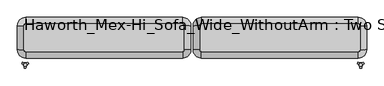
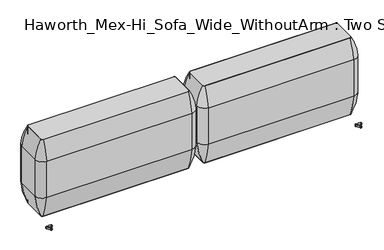
"""IFC4 building model written with IfcOpenShell, lengths in millimetres: furniture geometry, Haworth_Mex-Hi_Sofa_Wide_WithoutArm : Two Seat Sofa."""

from ifc_helpers import new_model, si_unit, point, frame, frame_2d, origin, place, context, project, spatial, polyline, circle_curve, ellipse_curve, trimmed, segment, composite_curve, outline, extrude, source, transform, mapped, element, save
from ifc_brep_helpers import plane_surface, cylinder_surface, revolved_surface, advanced_brep


def haworth_mex_hi_sofa_wide_withoutarm_two_seat_sofa_aba9447e(model_context):
    return source(origin(), model_context, "Body", "SolidModel", [
        extrude(outline(composite_curve([segment(trimmed(circle_curve(frame_2d((-213.138694, -52.3329307)), 9.8250752), [point((-203.3136188, -52.3329307))], [point((-213.138694, -62.1580059))], False, "CARTESIAN"), True, "CONTINUOUS"), segment(polyline([(-213.138694, -62.1580059), (-1197.4405465, -62.1580059)]), True, "CONTINUOUS"), segment(trimmed(circle_curve(frame_2d((-1197.4405465, -52.3329307)), 9.8250752), [point((-1197.4405465, -62.1580059))], [point((-1207.2656217, -52.3329307))], False, "CARTESIAN"), True, "CONTINUOUS"), segment(polyline([(-1207.2656217, -52.3329307), (-1207.2656217, 100.6400018)]), True, "CONTINUOUS"), segment(trimmed(circle_curve(frame_2d((-1197.4405465, 100.6400018)), 9.8250752), [point((-1207.2656217, 100.6400018))], [point((-1197.4405465, 110.465077))], False, "CARTESIAN"), True, "CONTINUOUS"), segment(polyline([(-1197.4405465, 110.465077), (-213.138694, 110.465077)]), True, "CONTINUOUS"), segment(trimmed(circle_curve(frame_2d((-213.138694, 100.6400018)), 9.8250752), [point((-213.138694, 110.465077))], [point((-203.3136188, 100.6400018))], False, "CARTESIAN"), True, "CONTINUOUS"), segment(polyline([(-203.3136188, 100.6400018), (-203.3136188, -52.3329307)]), True, "CONTINUOUS")], self_intersect=False)), frame((0.0, 0.0, 123.9999984), z_axis=(0.0, 0.0, 1.0), x_axis=(1.0, 0.0, 0.0)), (0.0, 0.0, 1.0), 552.7599232),
        advanced_brep(
        [(-1247.991929, 100.6400018, 283.1115097), (-1247.991929, -52.3329307, 283.1115097), (-1247.991929, -52.3329307, 543.4615097), (-1247.991929, 100.6400018, 543.4615097), (-1207.2656217, 100.6400018, 123.9999984), (-1207.2656217, -52.3329307, 123.9999984), (-1207.2656217, 100.6400018, 676.7599216), (-1207.2656217, -52.3329307, 676.7599216), (-1197.4405465, -102.8843132, 283.1115097), (-213.138694, -102.8843132, 283.1115097), (-213.138694, -102.8843132, 543.4615097), (-1197.4405465, -102.8843132, 543.4615097), (-1197.4405465, -62.1580059, 123.9999984), (-213.138694, -62.1580059, 123.9999984), (-1197.4405465, -62.1580059, 676.7599216), (-213.138694, -62.1580059, 676.7599216), (-162.5873115, -52.3329307, 283.1115097), (-162.5873115, 100.6400018, 283.1115097), (-162.5873115, 100.6400018, 543.4615097), (-162.5873115, -52.3329307, 543.4615097), (-203.3136188, -52.3329307, 123.9999984), (-203.3136188, 100.6400018, 123.9999984), (-203.3136188, -52.3329307, 676.7599216), (-203.3136188, 100.6400018, 676.7599216), (-213.138694, 151.1913843, 283.1115097), (-1197.4405465, 151.1913843, 283.1115097), (-1197.4405465, 151.1913843, 543.4615097), (-213.138694, 151.1913843, 543.4615097), (-213.138694, 110.465077, 123.9999984), (-1197.4405465, 110.465077, 123.9999984), (-213.138694, 110.465077, 676.7599216), (-1197.4405465, 110.465077, 676.7599216)],
        [
            (0, 1),
            (1, 2, circle_curve(frame((558.4957132, -52.3329307, 413.2865097), z_axis=(0.0, 1.0, 0.0), x_axis=(-1.0, 0.0, 0.0)), 1811.1717567)),
            (2, 3),
            (3, 0, circle_curve(frame((558.4957132, 100.6400018, 413.2865097), z_axis=(0.0, -1.0, 0.0), x_axis=(-1.0, 0.0, 0.0)), 1811.1717567)),
            (4, 5),
            (5, 1, circle_curve(frame((-787.0488338, -52.3329307, 316.3269417), z_axis=(0.0, 1.0, 0.0), x_axis=(-1.0, 0.0, 0.0)), 462.1382931)),
            (0, 4, circle_curve(frame((-787.0488338, 100.6400018, 316.3269417), z_axis=(0.0, -1.0, 0.0), x_axis=(-1.0, 0.0, 0.0)), 462.1382931)),
            (6, 7),
            (7, 5),
            (4, 6),
            (8, 9),
            (9, 10, circle_curve(frame((-213.138694, 1703.6033291, 413.2865097), z_axis=(-1.0, 0.0, 0.0), x_axis=(0.0, -1.0, 0.0)), 1811.1717567)),
            (10, 11),
            (11, 8, circle_curve(frame((-1197.4405465, 1703.6033291, 413.2865097), z_axis=(1.0, 0.0, 0.0), x_axis=(0.0, -1.0, 0.0)), 1811.1717567)),
            (12, 13),
            (13, 9, circle_curve(frame((-213.138694, 358.058782, 316.3269417), z_axis=(-1.0, 0.0, 0.0), x_axis=(0.0, -1.0, 0.0)), 462.1382931)),
            (8, 12, circle_curve(frame((-1197.4405465, 358.058782, 316.3269417), z_axis=(1.0, 0.0, 0.0), x_axis=(0.0, -1.0, 0.0)), 462.1382931)),
            (14, 15),
            (15, 13),
            (12, 14),
            (16, 17),
            (17, 18, circle_curve(frame((-1969.0749537, 100.6400018, 413.2865097), z_axis=(0.0, -1.0, 0.0), x_axis=(1.0, 0.0, 0.0)), 1811.1717567)),
            (18, 19),
            (19, 16, circle_curve(frame((-1969.0749537, -52.3329307, 413.2865097), z_axis=(0.0, 1.0, 0.0), x_axis=(1.0, 0.0, 0.0)), 1811.1717567)),
            (20, 21),
            (21, 17, circle_curve(frame((-623.5304067, 100.6400018, 316.3269417), z_axis=(0.0, -1.0, 0.0), x_axis=(1.0, 0.0, 0.0)), 462.1382931)),
            (16, 20, circle_curve(frame((-623.5304067, -52.3329307, 316.3269417), z_axis=(0.0, 1.0, 0.0), x_axis=(1.0, 0.0, 0.0)), 462.1382931)),
            (22, 23),
            (23, 21),
            (20, 22),
            (24, 25),
            (25, 26, circle_curve(frame((-1197.4405465, -1655.2962579, 413.2865097), z_axis=(1.0, 0.0, 0.0), x_axis=(0.0, 1.0, 0.0)), 1811.1717567)),
            (26, 27),
            (27, 24, circle_curve(frame((-213.138694, -1655.2962579, 413.2865097), z_axis=(-1.0, 0.0, 0.0), x_axis=(0.0, 1.0, 0.0)), 1811.1717567)),
            (28, 29),
            (29, 25, circle_curve(frame((-1197.4405465, -309.7517109, 316.3269417), z_axis=(1.0, 0.0, 0.0), x_axis=(0.0, 1.0, 0.0)), 462.1382931)),
            (24, 28, circle_curve(frame((-213.138694, -309.7517109, 316.3269417), z_axis=(-1.0, 0.0, 0.0), x_axis=(0.0, 1.0, 0.0)), 462.1382931)),
            (30, 31),
            (31, 29),
            (28, 30),
            (3, 26, circle_curve(frame((-1197.4405465, 100.6400018, 543.4615097), z_axis=(0.0, 0.0, -1.0), x_axis=(0.0, 1.0, 0.0)), 50.5513825)),
            (25, 0, circle_curve(frame((-1197.4405465, 100.6400018, 283.1115097), z_axis=(0.0, 0.0, 1.0), x_axis=(0.0, 1.0, 0.0)), 50.5513825)),
            (29, 4, circle_curve(frame((-1197.4405465, 100.6400018, 123.9999984), z_axis=(0.0, 0.0, 1.0), x_axis=(0.0, 1.0, 0.0)), 9.8250752)),
            (31, 6, circle_curve(frame((-1197.4405465, 100.6400018, 676.7599216), z_axis=(0.0, 0.0, 1.0), x_axis=(0.0, 1.0, 0.0)), 9.8250752)),
            (11, 2, circle_curve(frame((-1197.4405465, -52.3329307, 543.4615097), z_axis=(0.0, 0.0, -1.0), x_axis=(-1.0, 0.0, 0.0)), 50.5513825)),
            (1, 8, circle_curve(frame((-1197.4405465, -52.3329307, 283.1115097), z_axis=(0.0, 0.0, 1.0), x_axis=(-1.0, 0.0, 0.0)), 50.5513825)),
            (5, 12, circle_curve(frame((-1197.4405465, -52.3329307, 123.9999984), z_axis=(0.0, 0.0, 1.0), x_axis=(-1.0, 0.0, 0.0)), 9.8250752)),
            (7, 14, circle_curve(frame((-1197.4405465, -52.3329307, 676.7599216), z_axis=(0.0, 0.0, 1.0), x_axis=(-1.0, 0.0, 0.0)), 9.8250752)),
            (19, 10, circle_curve(frame((-213.138694, -52.3329307, 543.4615097), z_axis=(0.0, 0.0, -1.0), x_axis=(0.0, -1.0, 0.0)), 50.5513825)),
            (9, 16, circle_curve(frame((-213.138694, -52.3329307, 283.1115097), z_axis=(0.0, 0.0, 1.0), x_axis=(0.0, -1.0, 0.0)), 50.5513825)),
            (13, 20, circle_curve(frame((-213.138694, -52.3329307, 123.9999984), z_axis=(0.0, 0.0, 1.0), x_axis=(0.0, -1.0, 0.0)), 9.8250752)),
            (15, 22, circle_curve(frame((-213.138694, -52.3329307, 676.7599216), z_axis=(0.0, 0.0, 1.0), x_axis=(0.0, -1.0, 0.0)), 9.8250752)),
            (27, 18, circle_curve(frame((-213.138694, 100.6400018, 543.4615097), z_axis=(0.0, 0.0, -1.0), x_axis=(1.0, 0.0, 0.0)), 50.5513825)),
            (17, 24, circle_curve(frame((-213.138694, 100.6400018, 283.1115097), z_axis=(0.0, 0.0, 1.0), x_axis=(1.0, 0.0, 0.0)), 50.5513825)),
            (21, 28, circle_curve(frame((-213.138694, 100.6400018, 123.9999984), z_axis=(0.0, 0.0, 1.0), x_axis=(1.0, 0.0, 0.0)), 9.8250752)),
            (23, 30, circle_curve(frame((-213.138694, 100.6400018, 676.7599216), z_axis=(0.0, 0.0, 1.0), x_axis=(1.0, 0.0, 0.0)), 9.8250752)),
            (3, 6, circle_curve(frame((-935.8685118, 100.6400018, 520.9699825), z_axis=(0.0, 1.0, 0.0), x_axis=(-1.0, 0.0, 0.0)), 312.9327346)),
            (31, 26, circle_curve(frame((-1197.4405465, -160.9320329, 520.9699825), z_axis=(-1.0, 0.0, 0.0), x_axis=(0.0, 1.0, 0.0)), 312.9327346)),
            (2, 7, circle_curve(frame((-935.8685118, -52.3329307, 520.9699825), z_axis=(0.0, 1.0, 0.0), x_axis=(-1.0, 0.0, 0.0)), 312.9327346)),
            (11, 14, circle_curve(frame((-1197.4405465, 209.2391041, 520.9699825), z_axis=(-1.0, 0.0, 0.0), x_axis=(0.0, -1.0, 0.0)), 312.9327346)),
            (10, 15, circle_curve(frame((-213.138694, 209.2391041, 520.9699825), z_axis=(-1.0, 0.0, 0.0), x_axis=(0.0, -1.0, 0.0)), 312.9327346)),
            (19, 22, circle_curve(frame((-474.7107287, -52.3329307, 520.9699825), z_axis=(0.0, -1.0, 0.0), x_axis=(1.0, 0.0, 0.0)), 312.9327346)),
            (18, 23, circle_curve(frame((-474.7107287, 100.6400018, 520.9699825), z_axis=(0.0, -1.0, 0.0), x_axis=(1.0, 0.0, 0.0)), 312.9327346)),
            (27, 30, circle_curve(frame((-213.138694, -160.9320329, 520.9699825), z_axis=(1.0, 0.0, 0.0), x_axis=(0.0, 1.0, 0.0)), 312.9327346)),
        ],
        [
            cylinder_surface(frame((558.4957132, 100.6400018, 413.2865097), z_axis=(0.0, 1.0, 0.0), x_axis=(-1.0, 0.0, 0.0)), 1811.1717567),
            cylinder_surface(frame((-787.0488338, 100.6400018, 316.3269417), z_axis=(0.0, 1.0, 0.0), x_axis=(-1.0, 0.0, 0.0)), 462.1382931),
            plane_surface(frame((-1207.2656217, 100.6400018, 123.9999984), z_axis=(1.0, 0.0, 0.0), x_axis=(0.0, -1.0, 0.0))),
            cylinder_surface(frame((-1197.4405465, 1703.6033291, 413.2865097), z_axis=(-1.0, 0.0, 0.0), x_axis=(0.0, -1.0, 0.0)), 1811.1717567),
            cylinder_surface(frame((-1197.4405465, 358.058782, 316.3269417), z_axis=(-1.0, 0.0, 0.0), x_axis=(0.0, -1.0, 0.0)), 462.1382931),
            plane_surface(frame((-1197.4405465, -62.1580059, 123.9999984), z_axis=(0.0, 1.0, 0.0), x_axis=(1.0, 0.0, 0.0))),
            cylinder_surface(frame((-1969.0749537, -52.3329307, 413.2865097), z_axis=(0.0, -1.0, 0.0), x_axis=(1.0, 0.0, 0.0)), 1811.1717567),
            cylinder_surface(frame((-623.5304067, -52.3329307, 316.3269417), z_axis=(0.0, -1.0, 0.0), x_axis=(1.0, 0.0, 0.0)), 462.1382931),
            plane_surface(frame((-203.3136188, -52.3329307, 123.9999984), z_axis=(-1.0, 0.0, 0.0), x_axis=(0.0, 1.0, 0.0))),
            cylinder_surface(frame((-213.138694, -1655.2962579, 413.2865097), z_axis=(1.0, 0.0, 0.0), x_axis=(0.0, 1.0, 0.0)), 1811.1717567),
            cylinder_surface(frame((-213.138694, -309.7517109, 316.3269417), z_axis=(1.0, 0.0, 0.0), x_axis=(0.0, 1.0, 0.0)), 462.1382931),
            plane_surface(frame((-213.138694, 110.465077, 123.9999984), z_axis=(0.0, -1.0, 0.0), x_axis=(-1.0, 0.0, 0.0))),
            revolved_surface(trimmed(ellipse_curve(frame((-1197.4405465, -1655.2962579, 413.2865097), z_axis=(-1.0, 0.0, 0.0), x_axis=(0.0, 1.0, 0.0)), 1811.1717567, 1811.1717567), [point((-1197.4405465, 151.1913843, 543.4615097))], [point((-1197.4405465, 151.1913843, 283.1115097))], True, "CARTESIAN"), (-1197.4405465, 100.6400018, -1.2587073), (0.0, 0.0, -1.0)),
            revolved_surface(trimmed(ellipse_curve(frame((-1197.4405465, -309.7517109, 316.3269417), z_axis=(-1.0, 0.0, 0.0), x_axis=(0.0, 1.0, 0.0)), 462.1382931, 462.1382931), [point((-1197.4405465, 151.1913843, 283.1115097))], [point((-1197.4405465, 110.465077, 123.9999984))], True, "CARTESIAN"), (-1197.4405465, 100.6400018, -1.2587073), (0.0, 0.0, -1.0)),
            revolved_surface(polyline([(-1197.4405465, 110.465077, 123.9999984), (-1197.4405465, 110.465077, 676.7599216)]), (-1197.4405465, 100.6400018, -1.2587073), (0.0, 0.0, -1.0)),
            revolved_surface(trimmed(ellipse_curve(frame((558.4957132, -52.3329307, 413.2865097), z_axis=(0.0, -1.0, 0.0), x_axis=(-1.0, 0.0, 0.0)), 1811.1717567, 1811.1717567), [point((-1247.991929, -52.3329307, 543.4615097))], [point((-1247.991929, -52.3329307, 283.1115097))], True, "CARTESIAN"), (-1197.4405465, -52.3329307, -1.2587073), (0.0, 0.0, -1.0)),
            revolved_surface(trimmed(ellipse_curve(frame((-787.0488338, -52.3329307, 316.3269417), z_axis=(0.0, -1.0, 0.0), x_axis=(-1.0, 0.0, 0.0)), 462.1382931, 462.1382931), [point((-1247.991929, -52.3329307, 283.1115097))], [point((-1207.2656217, -52.3329307, 123.9999984))], True, "CARTESIAN"), (-1197.4405465, -52.3329307, -1.2587073), (0.0, 0.0, -1.0)),
            revolved_surface(polyline([(-1207.2656216999999, -52.3329307, 123.9999984), (-1207.2656216999999, -52.3329307, 676.7599216)]), (-1197.4405465, -52.3329307, -1.2587073), (0.0, 0.0, -1.0)),
            revolved_surface(trimmed(ellipse_curve(frame((-213.138694, 1703.6033291, 413.2865097), z_axis=(1.0, 0.0, 0.0), x_axis=(0.0, -1.0, 0.0)), 1811.1717567, 1811.1717567), [point((-213.138694, -102.8843132, 543.4615097))], [point((-213.138694, -102.8843132, 283.1115097))], True, "CARTESIAN"), (-213.138694, -52.3329307, -1.2587073), (0.0, 0.0, -1.0)),
            revolved_surface(trimmed(ellipse_curve(frame((-213.138694, 358.058782, 316.3269417), z_axis=(1.0, 0.0, 0.0), x_axis=(0.0, -1.0, 0.0)), 462.1382931, 462.1382931), [point((-213.138694, -102.8843132, 283.1115097))], [point((-213.138694, -62.1580059, 123.9999984))], True, "CARTESIAN"), (-213.138694, -52.3329307, -1.2587073), (0.0, 0.0, -1.0)),
            revolved_surface(polyline([(-213.138694, -62.1580059, 123.9999984), (-213.138694, -62.1580059, 676.7599216)]), (-213.138694, -52.3329307, -1.2587073), (0.0, 0.0, -1.0)),
            revolved_surface(trimmed(ellipse_curve(frame((-1969.0749537, 100.6400018, 413.2865097), z_axis=(0.0, 1.0, 0.0), x_axis=(1.0, 0.0, 0.0)), 1811.1717567, 1811.1717567), [point((-162.5873115, 100.6400018, 543.4615097))], [point((-162.5873115, 100.6400018, 283.1115097))], True, "CARTESIAN"), (-213.138694, 100.6400018, -1.2587073), (0.0, 0.0, -1.0)),
            revolved_surface(trimmed(ellipse_curve(frame((-623.5304067, 100.6400018, 316.3269417), z_axis=(0.0, 1.0, 0.0), x_axis=(1.0, 0.0, 0.0)), 462.1382931, 462.1382931), [point((-162.5873115, 100.6400018, 283.1115097))], [point((-203.3136188, 100.6400018, 123.9999984))], True, "CARTESIAN"), (-213.138694, 100.6400018, -1.2587073), (0.0, 0.0, -1.0)),
            revolved_surface(polyline([(-203.31361879999997, 100.6400018, 123.9999984), (-203.31361879999997, 100.6400018, 676.7599216)]), (-213.138694, 100.6400018, -1.2587073), (0.0, 0.0, -1.0)),
            revolved_surface(trimmed(ellipse_curve(frame((-1197.4405465, -160.9320329, 520.9699825), z_axis=(-1.0, 0.0, 0.0), x_axis=(0.0, 1.0, 0.0)), 312.9327346, 312.9327346), [point((-1197.4405465, 110.465077, 676.7599216))], [point((-1197.4405465, 151.1913843, 543.4615097))], True, "CARTESIAN"), (-1197.4405465, 100.6400018, -1.2587073), (0.0, 0.0, -1.0)),
            cylinder_surface(frame((-935.8685118, 100.6400018, 520.9699825), z_axis=(0.0, 1.0, 0.0), x_axis=(-1.0, 0.0, 0.0)), 312.9327346),
            revolved_surface(trimmed(ellipse_curve(frame((-935.8685118, -52.3329307, 520.9699825), z_axis=(0.0, -1.0, 0.0), x_axis=(-1.0, 0.0, 0.0)), 312.9327346, 312.9327346), [point((-1207.2656217, -52.3329307, 676.7599216))], [point((-1247.991929, -52.3329307, 543.4615097))], True, "CARTESIAN"), (-1197.4405465, -52.3329307, -1.2587073), (0.0, 0.0, -1.0)),
            cylinder_surface(frame((-1197.4405465, 209.2391041, 520.9699825), z_axis=(-1.0, 0.0, 0.0), x_axis=(0.0, -1.0, 0.0)), 312.9327346),
            revolved_surface(trimmed(ellipse_curve(frame((-213.138694, 209.2391041, 520.9699825), z_axis=(1.0, 0.0, 0.0), x_axis=(0.0, -1.0, 0.0)), 312.9327346, 312.9327346), [point((-213.138694, -62.1580059, 676.7599216))], [point((-213.138694, -102.8843132, 543.4615097))], True, "CARTESIAN"), (-213.138694, -52.3329307, -1.2587073), (0.0, 0.0, -1.0)),
            cylinder_surface(frame((-474.7107287, -52.3329307, 520.9699825), z_axis=(0.0, -1.0, 0.0), x_axis=(1.0, 0.0, 0.0)), 312.9327346),
            revolved_surface(trimmed(ellipse_curve(frame((-474.7107287, 100.6400018, 520.9699825), z_axis=(0.0, 1.0, 0.0), x_axis=(1.0, 0.0, 0.0)), 312.9327346, 312.9327346), [point((-203.3136188, 100.6400018, 676.7599216))], [point((-162.5873115, 100.6400018, 543.4615097))], True, "CARTESIAN"), (-213.138694, 100.6400018, -1.2587073), (0.0, 0.0, -1.0)),
            cylinder_surface(frame((-213.138694, -160.9320329, 520.9699825), z_axis=(1.0, 0.0, 0.0), x_axis=(0.0, 1.0, 0.0)), 312.9327346),
        ],
        [
            (0, [[1, 2, 3, 4]]),
            (1, [[5, 6, -1, 7]]),
            (2, [[8, 9, -5, 10]]),
            (3, [[11, 12, 13, 14]]),
            (4, [[15, 16, -11, 17]]),
            (5, [[18, 19, -15, 20]]),
            (6, [[21, 22, 23, 24]]),
            (7, [[25, 26, -21, 27]]),
            (8, [[28, 29, -25, 30]]),
            (9, [[31, 32, 33, 34]]),
            (10, [[35, 36, -31, 37]]),
            (11, [[38, 39, -35, 40]]),
            (12, [[-4, 41, -32, 42]]),
            (13, [[-7, -42, -36, 43]]),
            (14, [[-10, -43, -39, 44]]),
            (15, [[-14, 45, -2, 46]]),
            (16, [[-17, -46, -6, 47]]),
            (17, [[-20, -47, -9, 48]]),
            (18, [[-24, 49, -12, 50]]),
            (19, [[-27, -50, -16, 51]]),
            (20, [[-30, -51, -19, 52]]),
            (21, [[-34, 53, -22, 54]]),
            (22, [[-37, -54, -26, 55]]),
            (23, [[-40, -55, -29, 56]]),
            (24, [[57, -44, 58, -41]]),
            (25, [[-3, 59, -8, -57]]),
            (26, [[60, -48, -59, -45]]),
            (27, [[-13, 61, -18, -60]]),
            (28, [[62, -52, -61, -49]]),
            (29, [[-23, 63, -28, -62]]),
            (30, [[64, -56, -63, -53]]),
            (31, [[-33, -58, -38, -64]]),
        ],
    ),
        extrude(outline(composite_curve([segment(polyline([(-107.5769575, -52.3329307), (-107.5769575, 100.6400018)]), True, "CONTINUOUS"), segment(trimmed(circle_curve(frame_2d((-97.7518823, 100.6400018)), 9.8250752), [point((-107.5769575, 100.6400018))], [point((-97.7518823, 110.465077))], False, "CARTESIAN"), True, "CONTINUOUS"), segment(polyline([(-97.7518823, 110.465077), (886.5499702, 110.465077)]), True, "CONTINUOUS"), segment(trimmed(circle_curve(frame_2d((886.5499702, 100.6400018)), 9.8250752), [point((886.5499702, 110.465077))], [point((896.3750454, 100.6400018))], False, "CARTESIAN"), True, "CONTINUOUS"), segment(polyline([(896.3750454, 100.6400018), (896.3750454, -52.3329307)]), True, "CONTINUOUS"), segment(trimmed(circle_curve(frame_2d((886.5499702, -52.3329307)), 9.8250752), [point((896.3750454, -52.3329307))], [point((886.5499702, -62.1580059))], False, "CARTESIAN"), True, "CONTINUOUS"), segment(polyline([(886.5499702, -62.1580059), (-97.7518823, -62.1580059)]), True, "CONTINUOUS"), segment(trimmed(circle_curve(frame_2d((-97.7518823, -52.3329307)), 9.8250752), [point((-97.7518823, -62.1580059))], [point((-107.5769575, -52.3329307))], False, "CARTESIAN"), True, "CONTINUOUS")], self_intersect=False)), frame((0.0, 0.0, 123.9999984), z_axis=(0.0, 0.0, 1.0), x_axis=(1.0, 0.0, 0.0)), (0.0, 0.0, 1.0), 552.7599232),
        advanced_brep(
        [(937.1013527, 100.6400018, 283.1115097), (937.1013527, 100.6400018, 543.4615097), (937.1013527, -52.3329307, 543.4615097), (937.1013527, -52.3329307, 283.1115097), (896.3750454, 100.6400018, 123.9999984), (896.3750454, -52.3329307, 123.9999984), (896.3750454, 100.6400018, 676.7599216), (896.3750454, -52.3329307, 676.7599216), (886.5499702, -102.8843132, 283.1115097), (886.5499702, -102.8843132, 543.4615097), (-97.7518823, -102.8843132, 543.4615097), (-97.7518823, -102.8843132, 283.1115097), (886.5499702, -62.1580059, 123.9999984), (-97.7518823, -62.1580059, 123.9999984), (886.5499702, -62.1580059, 676.7599216), (-97.7518823, -62.1580059, 676.7599216), (-148.3032648, -52.3329307, 283.1115097), (-148.3032648, -52.3329307, 543.4615097), (-148.3032648, 100.6400018, 543.4615097), (-148.3032648, 100.6400018, 283.1115097), (-107.5769575, -52.3329307, 123.9999984), (-107.5769575, 100.6400018, 123.9999984), (-107.5769575, -52.3329307, 676.7599216), (-107.5769575, 100.6400018, 676.7599216), (-97.7518823, 151.1913843, 283.1115097), (-97.7518823, 151.1913843, 543.4615097), (886.5499702, 151.1913843, 543.4615097), (886.5499702, 151.1913843, 283.1115097), (-97.7518823, 110.465077, 123.9999984), (886.5499702, 110.465077, 123.9999984), (-97.7518823, 110.465077, 676.7599216), (886.5499702, 110.465077, 676.7599216)],
        [
            (0, 1, circle_curve(frame((-869.3862895, 100.6400018, 413.2865097), z_axis=(0.0, -1.0, 0.0), x_axis=(1.0, 0.0, 0.0)), 1811.1717567)),
            (1, 2),
            (2, 3, circle_curve(frame((-869.3862895, -52.3329307, 413.2865097), z_axis=(0.0, 1.0, 0.0), x_axis=(1.0, 0.0, 0.0)), 1811.1717567)),
            (3, 0),
            (4, 0, circle_curve(frame((476.1582575, 100.6400018, 316.3269417), z_axis=(0.0, -1.0, 0.0), x_axis=(1.0, 0.0, 0.0)), 462.1382931)),
            (3, 5, circle_curve(frame((476.1582575, -52.3329307, 316.3269417), z_axis=(0.0, 1.0, 0.0), x_axis=(1.0, 0.0, 0.0)), 462.1382931)),
            (5, 4),
            (6, 4),
            (5, 7),
            (7, 6),
            (8, 9, circle_curve(frame((886.5499702, 1703.6033291, 413.2865097), z_axis=(-1.0, 0.0, 0.0), x_axis=(0.0, -1.0, 0.0)), 1811.1717567)),
            (9, 10),
            (10, 11, circle_curve(frame((-97.7518823, 1703.6033291, 413.2865097), z_axis=(1.0, 0.0, 0.0), x_axis=(0.0, -1.0, 0.0)), 1811.1717567)),
            (11, 8),
            (12, 8, circle_curve(frame((886.5499702, 358.058782, 316.3269417), z_axis=(-1.0, 0.0, 0.0), x_axis=(0.0, -1.0, 0.0)), 462.1382931)),
            (11, 13, circle_curve(frame((-97.7518823, 358.058782, 316.3269417), z_axis=(1.0, 0.0, 0.0), x_axis=(0.0, -1.0, 0.0)), 462.1382931)),
            (13, 12),
            (14, 12),
            (13, 15),
            (15, 14),
            (16, 17, circle_curve(frame((1658.1843774, -52.3329307, 413.2865097), z_axis=(0.0, 1.0, 0.0), x_axis=(-1.0, 0.0, 0.0)), 1811.1717567)),
            (17, 18),
            (18, 19, circle_curve(frame((1658.1843774, 100.6400018, 413.2865097), z_axis=(0.0, -1.0, 0.0), x_axis=(-1.0, 0.0, 0.0)), 1811.1717567)),
            (19, 16),
            (20, 16, circle_curve(frame((312.6398304, -52.3329307, 316.3269417), z_axis=(0.0, 1.0, 0.0), x_axis=(-1.0, 0.0, 0.0)), 462.1382931)),
            (19, 21, circle_curve(frame((312.6398304, 100.6400018, 316.3269417), z_axis=(0.0, -1.0, 0.0), x_axis=(-1.0, 0.0, 0.0)), 462.1382931)),
            (21, 20),
            (22, 20),
            (21, 23),
            (23, 22),
            (24, 25, circle_curve(frame((-97.7518823, -1655.2962579, 413.2865097), z_axis=(1.0, 0.0, 0.0), x_axis=(0.0, 1.0, 0.0)), 1811.1717567)),
            (25, 26),
            (26, 27, circle_curve(frame((886.5499702, -1655.2962579, 413.2865097), z_axis=(-1.0, 0.0, 0.0), x_axis=(0.0, 1.0, 0.0)), 1811.1717567)),
            (27, 24),
            (28, 24, circle_curve(frame((-97.7518823, -309.7517109, 316.3269417), z_axis=(1.0, 0.0, 0.0), x_axis=(0.0, 1.0, 0.0)), 462.1382931)),
            (27, 29, circle_curve(frame((886.5499702, -309.7517109, 316.3269417), z_axis=(-1.0, 0.0, 0.0), x_axis=(0.0, 1.0, 0.0)), 462.1382931)),
            (29, 28),
            (30, 28),
            (29, 31),
            (31, 30),
            (0, 27, circle_curve(frame((886.5499702, 100.6400018, 283.1115097), z_axis=(0.0, 0.0, 1.0), x_axis=(0.0, 1.0, 0.0)), 50.5513825)),
            (26, 1, circle_curve(frame((886.5499702, 100.6400018, 543.4615097), z_axis=(0.0, 0.0, -1.0), x_axis=(0.0, 1.0, 0.0)), 50.5513825)),
            (4, 29, circle_curve(frame((886.5499702, 100.6400018, 123.9999984), z_axis=(0.0, 0.0, 1.0), x_axis=(0.0, 1.0, 0.0)), 9.8250752)),
            (6, 31, circle_curve(frame((886.5499702, 100.6400018, 676.7599216), z_axis=(0.0, 0.0, 1.0), x_axis=(0.0, 1.0, 0.0)), 9.8250752)),
            (8, 3, circle_curve(frame((886.5499702, -52.3329307, 283.1115097), z_axis=(0.0, 0.0, 1.0), x_axis=(1.0, 0.0, 0.0)), 50.5513825)),
            (2, 9, circle_curve(frame((886.5499702, -52.3329307, 543.4615097), z_axis=(0.0, 0.0, -1.0), x_axis=(1.0, 0.0, 0.0)), 50.5513825)),
            (12, 5, circle_curve(frame((886.5499702, -52.3329307, 123.9999984), z_axis=(0.0, 0.0, 1.0), x_axis=(1.0, 0.0, 0.0)), 9.8250752)),
            (14, 7, circle_curve(frame((886.5499702, -52.3329307, 676.7599216), z_axis=(0.0, 0.0, 1.0), x_axis=(1.0, 0.0, 0.0)), 9.8250752)),
            (16, 11, circle_curve(frame((-97.7518823, -52.3329307, 283.1115097), z_axis=(0.0, 0.0, 1.0), x_axis=(0.0, -1.0, 0.0)), 50.5513825)),
            (10, 17, circle_curve(frame((-97.7518823, -52.3329307, 543.4615097), z_axis=(0.0, 0.0, -1.0), x_axis=(0.0, -1.0, 0.0)), 50.5513825)),
            (20, 13, circle_curve(frame((-97.7518823, -52.3329307, 123.9999984), z_axis=(0.0, 0.0, 1.0), x_axis=(0.0, -1.0, 0.0)), 9.8250752)),
            (22, 15, circle_curve(frame((-97.7518823, -52.3329307, 676.7599216), z_axis=(0.0, 0.0, 1.0), x_axis=(0.0, -1.0, 0.0)), 9.8250752)),
            (24, 19, circle_curve(frame((-97.7518823, 100.6400018, 283.1115097), z_axis=(0.0, 0.0, 1.0), x_axis=(-1.0, 0.0, 0.0)), 50.5513825)),
            (18, 25, circle_curve(frame((-97.7518823, 100.6400018, 543.4615097), z_axis=(0.0, 0.0, -1.0), x_axis=(-1.0, 0.0, 0.0)), 50.5513825)),
            (28, 21, circle_curve(frame((-97.7518823, 100.6400018, 123.9999984), z_axis=(0.0, 0.0, 1.0), x_axis=(-1.0, 0.0, 0.0)), 9.8250752)),
            (30, 23, circle_curve(frame((-97.7518823, 100.6400018, 676.7599216), z_axis=(0.0, 0.0, 1.0), x_axis=(-1.0, 0.0, 0.0)), 9.8250752)),
            (26, 31, circle_curve(frame((886.5499702, -160.9320329, 520.9699825), z_axis=(1.0, 0.0, 0.0), x_axis=(0.0, 1.0, 0.0)), 312.9327346)),
            (6, 1, circle_curve(frame((624.9779355, 100.6400018, 520.9699825), z_axis=(0.0, 1.0, 0.0), x_axis=(1.0, 0.0, 0.0)), 312.9327346)),
            (7, 2, circle_curve(frame((624.9779355, -52.3329307, 520.9699825), z_axis=(0.0, 1.0, 0.0), x_axis=(1.0, 0.0, 0.0)), 312.9327346)),
            (14, 9, circle_curve(frame((886.5499702, 209.2391041, 520.9699825), z_axis=(1.0, 0.0, 0.0), x_axis=(0.0, -1.0, 0.0)), 312.9327346)),
            (15, 10, circle_curve(frame((-97.7518823, 209.2391041, 520.9699825), z_axis=(1.0, 0.0, 0.0), x_axis=(0.0, -1.0, 0.0)), 312.9327346)),
            (22, 17, circle_curve(frame((163.8201524, -52.3329307, 520.9699825), z_axis=(0.0, -1.0, 0.0), x_axis=(-1.0, 0.0, 0.0)), 312.9327346)),
            (23, 18, circle_curve(frame((163.8201524, 100.6400018, 520.9699825), z_axis=(0.0, -1.0, 0.0), x_axis=(-1.0, 0.0, 0.0)), 312.9327346)),
            (30, 25, circle_curve(frame((-97.7518823, -160.9320329, 520.9699825), z_axis=(-1.0, 0.0, 0.0), x_axis=(0.0, 1.0, 0.0)), 312.9327346)),
        ],
        [
            cylinder_surface(frame((-869.3862895, 100.6400018, 413.2865097), z_axis=(0.0, 1.0, 0.0), x_axis=(1.0, 0.0, 0.0)), 1811.1717567),
            cylinder_surface(frame((476.1582575, 100.6400018, 316.3269417), z_axis=(0.0, 1.0, 0.0), x_axis=(1.0, 0.0, 0.0)), 462.1382931),
            plane_surface(frame((896.3750454, 100.6400018, 123.9999984), z_axis=(-1.0, 0.0, 0.0), x_axis=(0.0, -1.0, 0.0))),
            cylinder_surface(frame((886.5499702, 1703.6033291, 413.2865097), z_axis=(1.0, 0.0, 0.0), x_axis=(0.0, -1.0, 0.0)), 1811.1717567),
            cylinder_surface(frame((886.5499702, 358.058782, 316.3269417), z_axis=(1.0, 0.0, 0.0), x_axis=(0.0, -1.0, 0.0)), 462.1382931),
            plane_surface(frame((886.5499702, -62.1580059, 123.9999984), z_axis=(0.0, 1.0, 0.0), x_axis=(-1.0, 0.0, 0.0))),
            cylinder_surface(frame((1658.1843774, -52.3329307, 413.2865097), z_axis=(0.0, -1.0, 0.0), x_axis=(-1.0, 0.0, 0.0)), 1811.1717567),
            cylinder_surface(frame((312.6398304, -52.3329307, 316.3269417), z_axis=(0.0, -1.0, 0.0), x_axis=(-1.0, 0.0, 0.0)), 462.1382931),
            plane_surface(frame((-107.5769575, -52.3329307, 123.9999984), z_axis=(1.0, 0.0, 0.0), x_axis=(0.0, 1.0, 0.0))),
            cylinder_surface(frame((-97.7518823, -1655.2962579, 413.2865097), z_axis=(-1.0, 0.0, 0.0), x_axis=(0.0, 1.0, 0.0)), 1811.1717567),
            cylinder_surface(frame((-97.7518823, -309.7517109, 316.3269417), z_axis=(-1.0, 0.0, 0.0), x_axis=(0.0, 1.0, 0.0)), 462.1382931),
            plane_surface(frame((-97.7518823, 110.465077, 123.9999984), z_axis=(0.0, -1.0, 0.0), x_axis=(1.0, 0.0, 0.0))),
            revolved_surface(trimmed(ellipse_curve(frame((886.5499702, -1655.2962579, 413.2865097), z_axis=(-1.0, 0.0, 0.0), x_axis=(0.0, 1.0, 0.0)), 1811.1717567, 1811.1717567), [point((886.5499702, 151.1913843, 543.4615097))], [point((886.5499702, 151.1913843, 283.1115097))], True, "CARTESIAN"), (886.5499702, 100.6400018, -1.2587073), (0.0, 0.0, -1.0)),
            revolved_surface(trimmed(ellipse_curve(frame((886.5499702, -309.7517109, 316.3269417), z_axis=(-1.0, 0.0, 0.0), x_axis=(0.0, 1.0, 0.0)), 462.1382931, 462.1382931), [point((886.5499702, 151.1913843, 283.1115097))], [point((886.5499702, 110.465077, 123.9999984))], True, "CARTESIAN"), (886.5499702, 100.6400018, -1.2587073), (0.0, 0.0, -1.0)),
            revolved_surface(polyline([(886.5499702, 110.465077, 123.9999984), (886.5499702, 110.465077, 676.7599216)]), (886.5499702, 100.6400018, -1.2587073), (0.0, 0.0, -1.0)),
            revolved_surface(trimmed(ellipse_curve(frame((-869.3862895, -52.3329307, 413.2865097), z_axis=(0.0, 1.0, 0.0), x_axis=(1.0, 0.0, 0.0)), 1811.1717567, 1811.1717567), [point((937.1013527, -52.3329307, 543.4615097))], [point((937.1013527, -52.3329307, 283.1115097))], True, "CARTESIAN"), (886.5499702, -52.3329307, -1.2587073), (0.0, 0.0, -1.0)),
            revolved_surface(trimmed(ellipse_curve(frame((476.1582575, -52.3329307, 316.3269417), z_axis=(0.0, 1.0, 0.0), x_axis=(1.0, 0.0, 0.0)), 462.1382931, 462.1382931), [point((937.1013527, -52.3329307, 283.1115097))], [point((896.3750454, -52.3329307, 123.9999984))], True, "CARTESIAN"), (886.5499702, -52.3329307, -1.2587073), (0.0, 0.0, -1.0)),
            revolved_surface(polyline([(896.3750454, -52.3329307, 123.9999984), (896.3750454, -52.3329307, 676.7599216)]), (886.5499702, -52.3329307, -1.2587073), (0.0, 0.0, -1.0)),
            revolved_surface(trimmed(ellipse_curve(frame((-97.7518823, 1703.6033291, 413.2865097), z_axis=(1.0, 0.0, 0.0), x_axis=(0.0, -1.0, 0.0)), 1811.1717567, 1811.1717567), [point((-97.7518823, -102.8843132, 543.4615097))], [point((-97.7518823, -102.8843132, 283.1115097))], True, "CARTESIAN"), (-97.7518823, -52.3329307, -1.2587073), (0.0, 0.0, -1.0)),
            revolved_surface(trimmed(ellipse_curve(frame((-97.7518823, 358.058782, 316.3269417), z_axis=(1.0, 0.0, 0.0), x_axis=(0.0, -1.0, 0.0)), 462.1382931, 462.1382931), [point((-97.7518823, -102.8843132, 283.1115097))], [point((-97.7518823, -62.1580059, 123.9999984))], True, "CARTESIAN"), (-97.7518823, -52.3329307, -1.2587073), (0.0, 0.0, -1.0)),
            revolved_surface(polyline([(-97.7518823, -62.1580059, 123.9999984), (-97.7518823, -62.1580059, 676.7599216)]), (-97.7518823, -52.3329307, -1.2587073), (0.0, 0.0, -1.0)),
            revolved_surface(trimmed(ellipse_curve(frame((1658.1843774, 100.6400018, 413.2865097), z_axis=(0.0, -1.0, 0.0), x_axis=(-1.0, 0.0, 0.0)), 1811.1717567, 1811.1717567), [point((-148.3032648, 100.6400018, 543.4615097))], [point((-148.3032648, 100.6400018, 283.1115097))], True, "CARTESIAN"), (-97.7518823, 100.6400018, -1.2587073), (0.0, 0.0, -1.0)),
            revolved_surface(trimmed(ellipse_curve(frame((312.6398304, 100.6400018, 316.3269417), z_axis=(0.0, -1.0, 0.0), x_axis=(-1.0, 0.0, 0.0)), 462.1382931, 462.1382931), [point((-148.3032648, 100.6400018, 283.1115097))], [point((-107.5769575, 100.6400018, 123.9999984))], True, "CARTESIAN"), (-97.7518823, 100.6400018, -1.2587073), (0.0, 0.0, -1.0)),
            revolved_surface(polyline([(-107.5769575, 100.6400018, 123.9999984), (-107.5769575, 100.6400018, 676.7599216)]), (-97.7518823, 100.6400018, -1.2587073), (0.0, 0.0, -1.0)),
            revolved_surface(trimmed(ellipse_curve(frame((886.5499702, -160.9320329, 520.9699825), z_axis=(-1.0, 0.0, 0.0), x_axis=(0.0, 1.0, 0.0)), 312.9327346, 312.9327346), [point((886.5499702, 110.465077, 676.7599216))], [point((886.5499702, 151.1913843, 543.4615097))], True, "CARTESIAN"), (886.5499702, 100.6400018, -1.2587073), (0.0, 0.0, -1.0)),
            cylinder_surface(frame((624.9779355, 100.6400018, 520.9699825), z_axis=(0.0, 1.0, 0.0), x_axis=(1.0, 0.0, 0.0)), 312.9327346),
            revolved_surface(trimmed(ellipse_curve(frame((624.9779355, -52.3329307, 520.9699825), z_axis=(0.0, 1.0, 0.0), x_axis=(1.0, 0.0, 0.0)), 312.9327346, 312.9327346), [point((896.3750454, -52.3329307, 676.7599216))], [point((937.1013527, -52.3329307, 543.4615097))], True, "CARTESIAN"), (886.5499702, -52.3329307, -1.2587073), (0.0, 0.0, -1.0)),
            cylinder_surface(frame((886.5499702, 209.2391041, 520.9699825), z_axis=(1.0, 0.0, 0.0), x_axis=(0.0, -1.0, 0.0)), 312.9327346),
            revolved_surface(trimmed(ellipse_curve(frame((-97.7518823, 209.2391041, 520.9699825), z_axis=(1.0, 0.0, 0.0), x_axis=(0.0, -1.0, 0.0)), 312.9327346, 312.9327346), [point((-97.7518823, -62.1580059, 676.7599216))], [point((-97.7518823, -102.8843132, 543.4615097))], True, "CARTESIAN"), (-97.7518823, -52.3329307, -1.2587073), (0.0, 0.0, -1.0)),
            cylinder_surface(frame((163.8201524, -52.3329307, 520.9699825), z_axis=(0.0, -1.0, 0.0), x_axis=(-1.0, 0.0, 0.0)), 312.9327346),
            revolved_surface(trimmed(ellipse_curve(frame((163.8201524, 100.6400018, 520.9699825), z_axis=(0.0, -1.0, 0.0), x_axis=(-1.0, 0.0, 0.0)), 312.9327346, 312.9327346), [point((-107.5769575, 100.6400018, 676.7599216))], [point((-148.3032648, 100.6400018, 543.4615097))], True, "CARTESIAN"), (-97.7518823, 100.6400018, -1.2587073), (0.0, 0.0, -1.0)),
            cylinder_surface(frame((-97.7518823, -160.9320329, 520.9699825), z_axis=(-1.0, 0.0, 0.0), x_axis=(0.0, 1.0, 0.0)), 312.9327346),
        ],
        [
            (0, [[1, 2, 3, 4]]),
            (1, [[5, -4, 6, 7]]),
            (2, [[8, -7, 9, 10]]),
            (3, [[11, 12, 13, 14]]),
            (4, [[15, -14, 16, 17]]),
            (5, [[18, -17, 19, 20]]),
            (6, [[21, 22, 23, 24]]),
            (7, [[25, -24, 26, 27]]),
            (8, [[28, -27, 29, 30]]),
            (9, [[31, 32, 33, 34]]),
            (10, [[35, -34, 36, 37]]),
            (11, [[38, -37, 39, 40]]),
            (12, [[41, -33, 42, -1]]),
            (13, [[43, -36, -41, -5]]),
            (14, [[44, -39, -43, -8]]),
            (15, [[45, -3, 46, -11]]),
            (16, [[47, -6, -45, -15]]),
            (17, [[48, -9, -47, -18]]),
            (18, [[49, -13, 50, -21]]),
            (19, [[51, -16, -49, -25]]),
            (20, [[52, -19, -51, -28]]),
            (21, [[53, -23, 54, -31]]),
            (22, [[55, -26, -53, -35]]),
            (23, [[56, -29, -55, -38]]),
            (24, [[-42, 57, -44, 58]]),
            (25, [[-58, -10, 59, -2]]),
            (26, [[-46, -59, -48, 60]]),
            (27, [[-60, -20, 61, -12]]),
            (28, [[-50, -61, -52, 62]]),
            (29, [[-62, -30, 63, -22]]),
            (30, [[-54, -63, -56, 64]]),
            (31, [[-64, -40, -57, -32]]),
        ],
    ),
        advanced_brep(
        [(-1216.6567178, -130.2721038, 98.611642), (-1220.879306, -137.585841, 98.611642), (-1220.4813572, -138.7518724, 98.611642), (-1204.6620864, -166.1516574, 98.611642), (-1203.8512529, -167.0792988, 98.611642), (-1195.4060744, -167.0792988, 98.611642), (-1194.6015461, -165.9895174, 98.611642), (-1178.4992931, -138.4877144, 98.611642), (-1178.378016, -137.5858427, 98.611642), (-1182.600606, -130.2721023, 98.611642), (-1183.8093894, -130.0337175, 98.611642), (-1215.4479379, -130.0337175, 98.611642), (-1190.2557871, -145.1926245, 98.611642), (-1209.160799, -145.1926245, 98.611642), (-1216.6567178, -130.2721038, 88.6531552), (-1215.4479379, -130.0337175, 88.6531552), (-1183.8093894, -130.0337175, 88.6531552), (-1182.600606, -130.2721023, 88.6531552), (-1178.378016, -137.5858427, 88.6531552), (-1178.4992931, -138.4877144, 88.6531552), (-1194.6015461, -165.9895174, 88.6531552), (-1195.4060744, -167.0792988, 88.6531552), (-1203.8512529, -167.0792988, 88.6531552), (-1204.6620864, -166.1516574, 88.6531552), (-1220.4813572, -138.7518724, 88.6531552), (-1220.879306, -137.585841, 88.6531552), (-1209.160799, -145.1926245, 103.6569541), (-1190.2557871, -145.1926245, 103.6569541)],
        [
            (0, 1, circle_curve(frame((-1198.3972298, -145.690049, 98.611642), z_axis=(0.0, 0.0, 1.0), x_axis=(1.0, 0.0, 0.0)), 23.8981576)),
            (1, 2, circle_curve(frame((-1219.9517474, -137.920202, 98.611642), z_axis=(0.0, 0.0, 1.0), x_axis=(1.0, 0.0, 0.0)), 0.9859828)),
            (2, 3, circle_curve(frame((-1238.8767271, -167.6389644, 98.611642), z_axis=(0.0, 0.0, -1.0), x_axis=(1.0, 0.0, 0.0)), 34.246952)),
            (3, 4, circle_curve(frame((-1203.6770431, -166.1088376, 98.611642), z_axis=(0.0, 0.0, 1.0), x_axis=(1.0, 0.0, 0.0)), 0.9859736)),
            (4, 5, circle_curve(frame((-1199.6286636, -143.5567534, 98.611642), z_axis=(0.0, 0.0, 1.0), x_axis=(1.0, 0.0, 0.0)), 23.8985439)),
            (5, 6, circle_curve(frame((-1195.5802862, -166.1088262, 98.611642), z_axis=(0.0, 0.0, 1.0), x_axis=(1.0, 0.0, 0.0)), 0.9859852)),
            (6, 7, circle_curve(frame((-1160.3798725, -167.5614211, 98.611642), z_axis=(0.0, 0.0, -1.0), x_axis=(1.0, 0.0, 0.0)), 34.2577557)),
            (7, 8, circle_curve(frame((-1179.3055775, -137.9202011, 98.611642), z_axis=(0.0, 0.0, 1.0), x_axis=(1.0, 0.0, 0.0)), 0.9859847)),
            (8, 9, circle_curve(frame((-1200.8597064, -145.6898258, 98.611642), z_axis=(0.0, 0.0, 1.0), x_axis=(1.0, 0.0, 0.0)), 23.8977184)),
            (9, 10, circle_curve(frame((-1183.3539522, -130.9082171, 98.611642), z_axis=(0.0, 0.0, 1.0), x_axis=(1.0, 0.0, 0.0)), 0.9859881)),
            (10, 11, circle_curve(frame((-1199.6286636, -99.6586209, 98.611642), z_axis=(0.0, 0.0, -1.0), x_axis=(1.0, 0.0, 0.0)), 34.2475683)),
            (11, 0, circle_curve(frame((-1215.9033729, -130.9082131, 98.611642), z_axis=(0.0, 0.0, 1.0), x_axis=(1.0, 0.0, 0.0)), 0.9859835)),
            (12, 13, circle_curve(frame((-1199.7082931, -145.1926245, 98.611642), z_axis=(0.0, 0.0, -1.0), x_axis=(1.0, 0.0, 0.0)), 9.452506)),
            (13, 12, circle_curve(frame((-1199.7082931, -145.1926245, 98.611642), z_axis=(0.0, 0.0, -1.0), x_axis=(1.0, 0.0, 0.0)), 9.452506)),
            (14, 15, circle_curve(frame((-1215.9033729, -130.9082131, 88.6531552), z_axis=(0.0, 0.0, -1.0), x_axis=(1.0, 0.0, 0.0)), 0.9859835)),
            (15, 16, circle_curve(frame((-1199.6286636, -99.6586209, 88.6531552), z_axis=(0.0, 0.0, 1.0), x_axis=(1.0, 0.0, 0.0)), 34.2475683)),
            (16, 17, circle_curve(frame((-1183.3539522, -130.9082171, 88.6531552), z_axis=(0.0, 0.0, -1.0), x_axis=(1.0, 0.0, 0.0)), 0.9859881)),
            (17, 18, circle_curve(frame((-1200.8597064, -145.6898258, 88.6531552), z_axis=(0.0, 0.0, -1.0), x_axis=(1.0, 0.0, 0.0)), 23.8977184)),
            (18, 19, circle_curve(frame((-1179.3055775, -137.9202011, 88.6531552), z_axis=(0.0, 0.0, -1.0), x_axis=(1.0, 0.0, 0.0)), 0.9859847)),
            (19, 20, circle_curve(frame((-1160.3798725, -167.5614211, 88.6531552), z_axis=(0.0, 0.0, 1.0), x_axis=(1.0, 0.0, 0.0)), 34.2577557)),
            (20, 21, circle_curve(frame((-1195.5802862, -166.1088262, 88.6531552), z_axis=(0.0, 0.0, -1.0), x_axis=(1.0, 0.0, 0.0)), 0.9859852)),
            (21, 22, circle_curve(frame((-1199.6286636, -143.5567534, 88.6531552), z_axis=(0.0, 0.0, -1.0), x_axis=(1.0, 0.0, 0.0)), 23.8985439)),
            (22, 23, circle_curve(frame((-1203.6770431, -166.1088376, 88.6531552), z_axis=(0.0, 0.0, -1.0), x_axis=(1.0, 0.0, 0.0)), 0.9859736)),
            (23, 24, circle_curve(frame((-1238.8767271, -167.6389644, 88.6531552), z_axis=(0.0, 0.0, 1.0), x_axis=(1.0, 0.0, 0.0)), 34.246952)),
            (24, 25, circle_curve(frame((-1219.9517474, -137.920202, 88.6531552), z_axis=(0.0, 0.0, -1.0), x_axis=(1.0, 0.0, 0.0)), 0.9859828)),
            (25, 14, circle_curve(frame((-1198.3972298, -145.690049, 88.6531552), z_axis=(0.0, 0.0, -1.0), x_axis=(1.0, 0.0, 0.0)), 23.8981576)),
            (26, 27, circle_curve(frame((-1199.7082931, -145.1926245, 103.6569541), z_axis=(0.0, 0.0, 1.0), x_axis=(1.0, 0.0, 0.0)), 9.452506)),
            (27, 26, circle_curve(frame((-1199.7082931, -145.1926245, 103.6569541), z_axis=(0.0, 0.0, 1.0), x_axis=(1.0, 0.0, 0.0)), 9.452506)),
            (0, 14),
            (25, 1),
            (24, 2),
            (23, 3),
            (22, 4),
            (21, 5),
            (20, 6),
            (19, 7),
            (18, 8),
            (17, 9),
            (16, 10),
            (15, 11),
            (26, 13),
            (12, 27),
        ],
        [
            plane_surface(frame((-1174.4990722, -145.690049, 98.611642), z_axis=(0.0, 0.0, 1.0), x_axis=(0.0, 1.0, 0.0))),
            plane_surface(frame((-1174.4990722, -145.690049, 88.6531552), z_axis=(0.0, 0.0, -1.0), x_axis=(0.0, -1.0, 0.0))),
            plane_surface(frame((-1190.2557871, -145.1926245, 103.6569541), z_axis=(0.0, 0.0, 1.0), x_axis=(0.0, 1.0, 0.0))),
            cylinder_surface(frame((-1198.3972298, -145.690049, 88.6531552), z_axis=(0.0, 0.0, 1.0), x_axis=(1.0, 0.0, 0.0)), 23.8981576),
            cylinder_surface(frame((-1219.9517474, -137.920202, 88.6531552), z_axis=(0.0, 0.0, 1.0), x_axis=(1.0, 0.0, 0.0)), 0.9859828),
            revolved_surface(polyline([(-1204.6297751, -167.6389644, 88.6531552), (-1204.6297751, -167.6389644, 98.611642)]), (-1238.8767271, -167.6389644, 88.6531552), (0.0, 0.0, -1.0)),
            cylinder_surface(frame((-1203.6770431, -166.1088376, 88.6531552), z_axis=(0.0, 0.0, 1.0), x_axis=(1.0, 0.0, 0.0)), 0.9859736),
            cylinder_surface(frame((-1199.6286636, -143.5567534, 88.6531552), z_axis=(0.0, 0.0, 1.0), x_axis=(1.0, 0.0, 0.0)), 23.8985439),
            cylinder_surface(frame((-1195.5802862, -166.1088262, 88.6531552), z_axis=(0.0, 0.0, 1.0), x_axis=(1.0, 0.0, 0.0)), 0.9859852),
            revolved_surface(polyline([(-1126.1221168, -167.5614211, 88.6531552), (-1126.1221168, -167.5614211, 98.611642)]), (-1160.3798725, -167.5614211, 88.6531552), (0.0, 0.0, -1.0)),
            cylinder_surface(frame((-1179.3055775, -137.9202011, 88.6531552), z_axis=(0.0, 0.0, 1.0), x_axis=(1.0, 0.0, 0.0)), 0.9859847),
            cylinder_surface(frame((-1200.8597064, -145.6898258, 88.6531552), z_axis=(0.0, 0.0, 1.0), x_axis=(1.0, 0.0, 0.0)), 23.8977184),
            cylinder_surface(frame((-1183.3539522, -130.9082171, 88.6531552), z_axis=(0.0, 0.0, 1.0), x_axis=(1.0, 0.0, 0.0)), 0.9859881),
            revolved_surface(polyline([(-1165.3810953, -99.6586209, 88.6531552), (-1165.3810953, -99.6586209, 98.611642)]), (-1199.6286636, -99.6586209, 88.6531552), (0.0, 0.0, -1.0)),
            cylinder_surface(frame((-1215.9033729, -130.9082131, 88.6531552), z_axis=(0.0, 0.0, 1.0), x_axis=(1.0, 0.0, 0.0)), 0.9859835),
            cylinder_surface(frame((-1199.7082931, -145.1926245, 98.611642), z_axis=(0.0, 0.0, 1.0), x_axis=(1.0, 0.0, 0.0)), 9.452506),
        ],
        [
            (0, [[1, 2, 3, 4, 5, 6, 7, 8, 9, 10, 11, 12], [13, 14]]),
            (1, [[15, 16, 17, 18, 19, 20, 21, 22, 23, 24, 25, 26]]),
            (2, [[27, 28]]),
            (3, [[-1, 29, -26, 30]]),
            (4, [[-2, -30, -25, 31]]),
            (5, [[-3, -31, -24, 32]]),
            (6, [[-4, -32, -23, 33]]),
            (7, [[-5, -33, -22, 34]]),
            (8, [[-6, -34, -21, 35]]),
            (9, [[-7, -35, -20, 36]]),
            (10, [[-8, -36, -19, 37]]),
            (11, [[-9, -37, -18, 38]]),
            (12, [[-10, -38, -17, 39]]),
            (13, [[-11, -39, -16, 40]]),
            (14, [[-12, -40, -15, -29]]),
            (15, [[-27, 41, -13, 42]]),
            (15, [[-28, -42, -14, -41]]),
        ],
    ),
        advanced_brep(
        [(883.5433829, -130.2721038, 98.611642), (879.3207947, -137.585841, 98.611642), (879.7187435, -138.7518724, 98.611642), (895.5380143, -166.1516574, 98.611642), (896.3488478, -167.0792988, 98.611642), (904.7940264, -167.0792988, 98.611642), (905.5985546, -165.9895174, 98.611642), (921.7008076, -138.4877144, 98.611642), (921.8220847, -137.5858427, 98.611642), (917.5994947, -130.2721023, 98.611642), (916.3907113, -130.0337175, 98.611642), (884.7521628, -130.0337175, 98.611642), (909.9443136, -145.1926245, 98.611642), (891.0393017, -145.1926245, 98.611642), (883.5433829, -130.2721038, 88.6531552), (884.7521628, -130.0337175, 88.6531552), (916.3907113, -130.0337175, 88.6531552), (917.5994947, -130.2721023, 88.6531552), (921.8220847, -137.5858427, 88.6531552), (921.7008076, -138.4877144, 88.6531552), (905.5985546, -165.9895174, 88.6531552), (904.7940264, -167.0792988, 88.6531552), (896.3488478, -167.0792988, 88.6531552), (895.5380143, -166.1516574, 88.6531552), (879.7187435, -138.7518724, 88.6531552), (879.3207947, -137.585841, 88.6531552), (891.0393017, -145.1926245, 103.6569541), (909.9443136, -145.1926245, 103.6569541)],
        [
            (0, 1, circle_curve(frame((901.8028709, -145.690049, 98.611642), z_axis=(0.0, 0.0, 1.0), x_axis=(1.0, 0.0, 0.0)), 23.8981576)),
            (1, 2, circle_curve(frame((880.2483533, -137.920202, 98.611642), z_axis=(0.0, 0.0, 1.0), x_axis=(1.0, 0.0, 0.0)), 0.9859828)),
            (2, 3, circle_curve(frame((861.3233736, -167.6389644, 98.611642), z_axis=(0.0, 0.0, -1.0), x_axis=(1.0, 0.0, 0.0)), 34.246952)),
            (3, 4, circle_curve(frame((896.5230576, -166.1088376, 98.611642), z_axis=(0.0, 0.0, 1.0), x_axis=(1.0, 0.0, 0.0)), 0.9859736)),
            (4, 5, circle_curve(frame((900.5714371, -143.5567534, 98.611642), z_axis=(0.0, 0.0, 1.0), x_axis=(1.0, 0.0, 0.0)), 23.8985439)),
            (5, 6, circle_curve(frame((904.6198145, -166.1088262, 98.611642), z_axis=(0.0, 0.0, 1.0), x_axis=(1.0, 0.0, 0.0)), 0.9859852)),
            (6, 7, circle_curve(frame((939.8202282, -167.5614211, 98.611642), z_axis=(0.0, 0.0, -1.0), x_axis=(1.0, 0.0, 0.0)), 34.2577557)),
            (7, 8, circle_curve(frame((920.8945232, -137.9202011, 98.611642), z_axis=(0.0, 0.0, 1.0), x_axis=(1.0, 0.0, 0.0)), 0.9859847)),
            (8, 9, circle_curve(frame((899.3403943, -145.6898258, 98.611642), z_axis=(0.0, 0.0, 1.0), x_axis=(1.0, 0.0, 0.0)), 23.8977184)),
            (9, 10, circle_curve(frame((916.8461485, -130.9082171, 98.611642), z_axis=(0.0, 0.0, 1.0), x_axis=(1.0, 0.0, 0.0)), 0.9859881)),
            (10, 11, circle_curve(frame((900.5714371, -99.6586209, 98.611642), z_axis=(0.0, 0.0, -1.0), x_axis=(1.0, 0.0, 0.0)), 34.2475683)),
            (11, 0, circle_curve(frame((884.2967278, -130.9082131, 98.611642), z_axis=(0.0, 0.0, 1.0), x_axis=(1.0, 0.0, 0.0)), 0.9859835)),
            (12, 13, circle_curve(frame((900.4918076, -145.1926245, 98.611642), z_axis=(0.0, 0.0, -1.0), x_axis=(1.0, 0.0, 0.0)), 9.452506)),
            (13, 12, circle_curve(frame((900.4918076, -145.1926245, 98.611642), z_axis=(0.0, 0.0, -1.0), x_axis=(1.0, 0.0, 0.0)), 9.452506)),
            (14, 15, circle_curve(frame((884.2967278, -130.9082131, 88.6531552), z_axis=(0.0, 0.0, -1.0), x_axis=(1.0, 0.0, 0.0)), 0.9859835)),
            (15, 16, circle_curve(frame((900.5714371, -99.6586209, 88.6531552), z_axis=(0.0, 0.0, 1.0), x_axis=(1.0, 0.0, 0.0)), 34.2475683)),
            (16, 17, circle_curve(frame((916.8461485, -130.9082171, 88.6531552), z_axis=(0.0, 0.0, -1.0), x_axis=(1.0, 0.0, 0.0)), 0.9859881)),
            (17, 18, circle_curve(frame((899.3403943, -145.6898258, 88.6531552), z_axis=(0.0, 0.0, -1.0), x_axis=(1.0, 0.0, 0.0)), 23.8977184)),
            (18, 19, circle_curve(frame((920.8945232, -137.9202011, 88.6531552), z_axis=(0.0, 0.0, -1.0), x_axis=(1.0, 0.0, 0.0)), 0.9859847)),
            (19, 20, circle_curve(frame((939.8202282, -167.5614211, 88.6531552), z_axis=(0.0, 0.0, 1.0), x_axis=(1.0, 0.0, 0.0)), 34.2577557)),
            (20, 21, circle_curve(frame((904.6198145, -166.1088262, 88.6531552), z_axis=(0.0, 0.0, -1.0), x_axis=(1.0, 0.0, 0.0)), 0.9859852)),
            (21, 22, circle_curve(frame((900.5714371, -143.5567534, 88.6531552), z_axis=(0.0, 0.0, -1.0), x_axis=(1.0, 0.0, 0.0)), 23.8985439)),
            (22, 23, circle_curve(frame((896.5230576, -166.1088376, 88.6531552), z_axis=(0.0, 0.0, -1.0), x_axis=(1.0, 0.0, 0.0)), 0.9859736)),
            (23, 24, circle_curve(frame((861.3233736, -167.6389644, 88.6531552), z_axis=(0.0, 0.0, 1.0), x_axis=(1.0, 0.0, 0.0)), 34.246952)),
            (24, 25, circle_curve(frame((880.2483533, -137.920202, 88.6531552), z_axis=(0.0, 0.0, -1.0), x_axis=(1.0, 0.0, 0.0)), 0.9859828)),
            (25, 14, circle_curve(frame((901.8028709, -145.690049, 88.6531552), z_axis=(0.0, 0.0, -1.0), x_axis=(1.0, 0.0, 0.0)), 23.8981576)),
            (26, 27, circle_curve(frame((900.4918076, -145.1926245, 103.6569541), z_axis=(0.0, 0.0, 1.0), x_axis=(1.0, 0.0, 0.0)), 9.452506)),
            (27, 26, circle_curve(frame((900.4918076, -145.1926245, 103.6569541), z_axis=(0.0, 0.0, 1.0), x_axis=(1.0, 0.0, 0.0)), 9.452506)),
            (0, 14),
            (25, 1),
            (24, 2),
            (23, 3),
            (22, 4),
            (21, 5),
            (20, 6),
            (19, 7),
            (18, 8),
            (17, 9),
            (16, 10),
            (15, 11),
            (26, 13),
            (12, 27),
        ],
        [
            plane_surface(frame((925.7010285, -145.690049, 98.611642), z_axis=(0.0, 0.0, 1.0), x_axis=(0.0, 1.0, 0.0))),
            plane_surface(frame((925.7010285, -145.690049, 88.6531552), z_axis=(0.0, 0.0, -1.0), x_axis=(0.0, -1.0, 0.0))),
            plane_surface(frame((909.9443136, -145.1926245, 103.6569541), z_axis=(0.0, 0.0, 1.0), x_axis=(0.0, 1.0, 0.0))),
            cylinder_surface(frame((901.8028709, -145.690049, 88.6531552), z_axis=(0.0, 0.0, 1.0), x_axis=(1.0, 0.0, 0.0)), 23.8981576),
            cylinder_surface(frame((880.2483533, -137.920202, 88.6531552), z_axis=(0.0, 0.0, 1.0), x_axis=(1.0, 0.0, 0.0)), 0.9859828),
            revolved_surface(polyline([(895.5703255999999, -167.6389644, 88.6531552), (895.5703255999999, -167.6389644, 98.611642)]), (861.3233736, -167.6389644, 88.6531552), (0.0, 0.0, -1.0)),
            cylinder_surface(frame((896.5230576, -166.1088376, 88.6531552), z_axis=(0.0, 0.0, 1.0), x_axis=(1.0, 0.0, 0.0)), 0.9859736),
            cylinder_surface(frame((900.5714371, -143.5567534, 88.6531552), z_axis=(0.0, 0.0, 1.0), x_axis=(1.0, 0.0, 0.0)), 23.8985439),
            cylinder_surface(frame((904.6198145, -166.1088262, 88.6531552), z_axis=(0.0, 0.0, 1.0), x_axis=(1.0, 0.0, 0.0)), 0.9859852),
            revolved_surface(polyline([(974.0779838999999, -167.5614211, 88.6531552), (974.0779838999999, -167.5614211, 98.611642)]), (939.8202282, -167.5614211, 88.6531552), (0.0, 0.0, -1.0)),
            cylinder_surface(frame((920.8945232, -137.9202011, 88.6531552), z_axis=(0.0, 0.0, 1.0), x_axis=(1.0, 0.0, 0.0)), 0.9859847),
            cylinder_surface(frame((899.3403943, -145.6898258, 88.6531552), z_axis=(0.0, 0.0, 1.0), x_axis=(1.0, 0.0, 0.0)), 23.8977184),
            cylinder_surface(frame((916.8461485, -130.9082171, 88.6531552), z_axis=(0.0, 0.0, 1.0), x_axis=(1.0, 0.0, 0.0)), 0.9859881),
            revolved_surface(polyline([(934.8190054, -99.6586209, 88.6531552), (934.8190054, -99.6586209, 98.611642)]), (900.5714371, -99.6586209, 88.6531552), (0.0, 0.0, -1.0)),
            cylinder_surface(frame((884.2967278, -130.9082131, 88.6531552), z_axis=(0.0, 0.0, 1.0), x_axis=(1.0, 0.0, 0.0)), 0.9859835),
            cylinder_surface(frame((900.4918076, -145.1926245, 98.611642), z_axis=(0.0, 0.0, 1.0), x_axis=(1.0, 0.0, 0.0)), 9.452506),
        ],
        [
            (0, [[1, 2, 3, 4, 5, 6, 7, 8, 9, 10, 11, 12], [13, 14]]),
            (1, [[15, 16, 17, 18, 19, 20, 21, 22, 23, 24, 25, 26]]),
            (2, [[27, 28]]),
            (3, [[-1, 29, -26, 30]]),
            (4, [[-2, -30, -25, 31]]),
            (5, [[-3, -31, -24, 32]]),
            (6, [[-4, -32, -23, 33]]),
            (7, [[-5, -33, -22, 34]]),
            (8, [[-6, -34, -21, 35]]),
            (9, [[-7, -35, -20, 36]]),
            (10, [[-8, -36, -19, 37]]),
            (11, [[-9, -37, -18, 38]]),
            (12, [[-10, -38, -17, 39]]),
            (13, [[-11, -39, -16, 40]]),
            (14, [[-12, -40, -15, -29]]),
            (15, [[-27, 41, -13, 42]]),
            (15, [[-28, -42, -14, -41]]),
        ],
    ),
    ])


if __name__ == "__main__":
    model = new_model("IFC4")
    model_context = context("Model", 3, world=origin())
    ifc_project = project(units=[si_unit("LENGTHUNIT", "METRE", prefix="MILLI")], contexts=[model_context])
    site = spatial("IfcSite", under=ifc_project)
    building = spatial("IfcBuilding", under=site)
    placement = place(None, origin())
    haworth_mex_hi_sofa_wide_withoutarm_two_seat_sofa_shape = haworth_mex_hi_sofa_wide_withoutarm_two_seat_sofa_aba9447e(model_context)
    element("IfcFurniture", 1, ObjectType="Haworth_Mex-Hi_Sofa_Wide_WithoutArm : Two Seat Sofa", at=placement, inside=building, context=model_context, shape_type="MappedRepresentation", body=[
        mapped(haworth_mex_hi_sofa_wide_withoutarm_two_seat_sofa_shape, transform((0.0, 0.0, 0.0), x_axis=(1.0, 0.0, 0.0), y_axis=(0.0, 1.0, 0.0), z_axis=(0.0, 0.0, 1.0))),
    ])
    save(model, "model.ifc")
